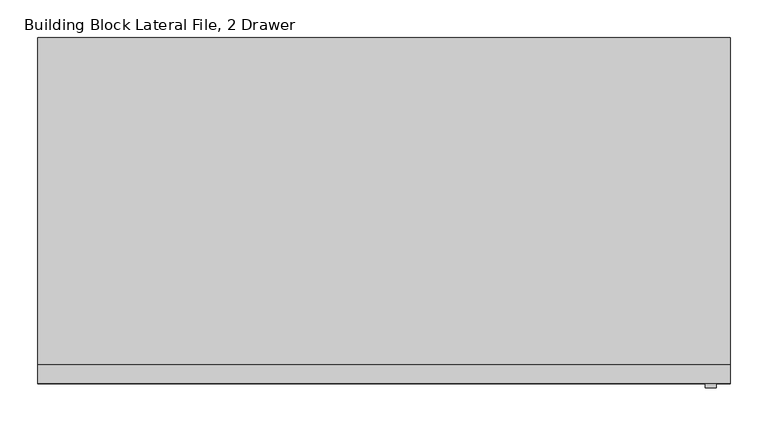
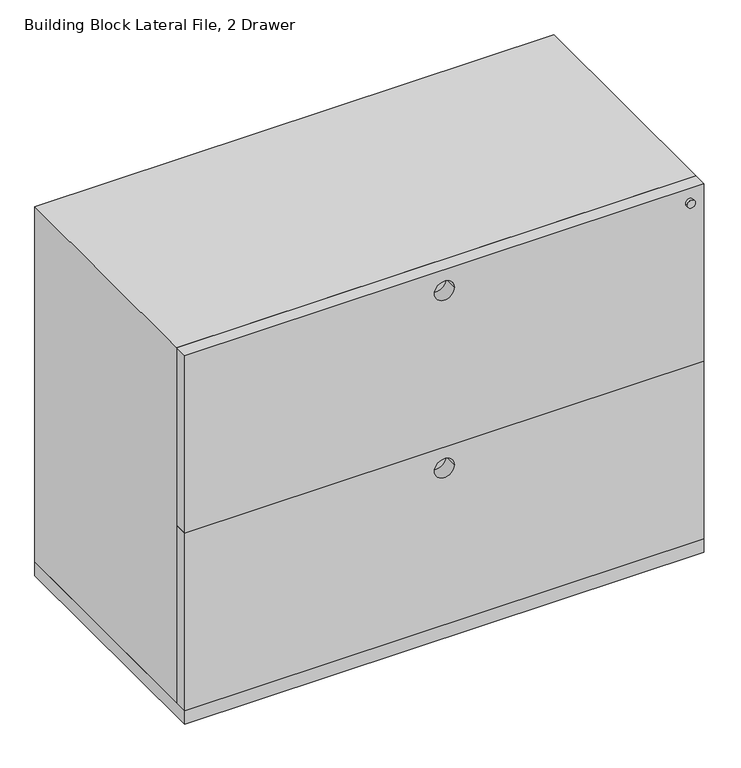
"""IFC4 building model written with IfcOpenShell, lengths in millimetres: furniture geometry, Building Block Lateral File, 2 Drawer."""

from ifc_helpers import new_model, si_unit, point, frame, frame_2d, origin, origin_with_axes, place, context, project, spatial, polyline, circle_curve, trimmed, segment, composite_curve, outline, extrude, source, transform, mapped, element, save


def building_block_lateral_file_2_drawer_e7a555fa(model_context):
    return source(origin(), model_context, "Body", "SweptSolid", [
        extrude(outline(composite_curve([segment(trimmed(circle_curve(frame_2d((673.1, 889.0)), 7.2251572), [point((673.1, 881.7748428))], [point((673.1, 896.2251572))], False, "CARTESIAN"), True, "CONTINUOUS"), segment(trimmed(circle_curve(frame_2d((673.1, 889.0)), 7.2251572), [point((673.1, 896.2251572))], [point((673.1, 881.7748428))], False, "CARTESIAN"), True, "CONTINUOUS")], self_intersect=False)), frame((0.0, -462.6249336, 0.0), z_axis=(0.0, 1.0, 0.0), x_axis=(0.0, 0.0, 1.0)), (0.0, 0.0, 1.0), 5.4249336),
        extrude(outline(polyline([(914.4, -431.8), (0.0, -431.8), (0.0, 0.0), (914.4, 0.0), (914.4, -431.8)])), frame((0.0, 0.0, 38.1), z_axis=(0.0, 0.0, 1.0), x_axis=(1.0, 0.0, 0.0)), (0.0, 0.0, 1.0), 660.4),
        extrude(outline(polyline([(368.3, 914.4), (368.3, 0.0), (38.1, 0.0), (38.1, 914.4), (368.3, 914.4)]), holes=[composite_curve([segment(trimmed(circle_curve(frame_2d((329.8842224, 457.2)), 17.5139353), [point((329.8842224, 439.6860647))], [point((329.8842224, 474.7139353))], True, "CARTESIAN"), True, "CONTINUOUS"), segment(trimmed(circle_curve(frame_2d((329.8842224, 457.2)), 17.5139353), [point((329.8842224, 474.7139353))], [point((329.8842224, 439.6860647))], True, "CARTESIAN"), True, "CONTINUOUS")], self_intersect=False)]), frame((0.0, -457.2, 0.0), z_axis=(0.0, 1.0, 0.0), x_axis=(0.0, 0.0, 1.0)), (0.0, 0.0, 1.0), 25.4),
        extrude(outline(polyline([(698.5, 914.4), (698.5, 0.0), (368.3, 0.0), (368.3, 914.4), (698.5, 914.4)]), holes=[composite_curve([segment(trimmed(circle_curve(frame_2d((660.0842224, 457.2)), 17.5139353), [point((660.0842224, 439.6860647))], [point((660.0842224, 474.7139353))], True, "CARTESIAN"), True, "CONTINUOUS"), segment(trimmed(circle_curve(frame_2d((660.0842224, 457.2)), 17.5139353), [point((660.0842224, 474.7139353))], [point((660.0842224, 439.6860647))], True, "CARTESIAN"), True, "CONTINUOUS")], self_intersect=False)]), frame((0.0, -457.2, 0.0), z_axis=(0.0, 1.0, 0.0), x_axis=(0.0, 0.0, 1.0)), (0.0, 0.0, 1.0), 25.4),
        extrude(outline(polyline([(914.4, 0.0), (914.4, -457.2), (0.0, -457.2), (0.0, 0.0), (914.4, 0.0)])), frame((0.0, 0.0, 12.7), z_axis=(0.0, 0.0, 1.0), x_axis=(1.0, 0.0, 0.0)), (0.0, 0.0, 1.0), 25.4),
        extrude(outline(composite_curve([segment(trimmed(circle_curve(frame_2d((28.5450835, 863.6)), 0.9921875), [point((28.5450835, 864.5921875))], [point((28.5450835, 862.6078125))], False, "CARTESIAN"), True, "CONTINUOUS"), segment(trimmed(circle_curve(frame_2d((28.5450835, 863.6)), 0.9921875), [point((28.5450835, 862.6078125))], [point((28.5450835, 864.5921875))], False, "CARTESIAN"), True, "CONTINUOUS")], self_intersect=False)), frame((0.0, -432.9785671, 0.0), z_axis=(0.0, 1.0, 0.0), x_axis=(0.0, 0.0, 1.0)), (0.0, 0.0, 1.0), 53.0422756),
        extrude(outline(polyline([(12.7, 832.6896756), (11.7078125, 854.6518893), (11.7078125, 874.0068204), (12.7, 874.0068204), (12.7, 832.6896756)])), frame((0.0, -434.6443623, 0.0), z_axis=(0.0, 1.0, 0.0), x_axis=(0.0, 0.0, 1.0)), (0.0, 0.0, 1.0), 0.9921875),
        extrude(outline(composite_curve([segment(trimmed(circle_curve(frame_2d((28.5450835, 50.8)), 0.9921875), [point((28.5450835, 49.8078125))], [point((28.5450835, 51.7921875))], False, "CARTESIAN"), True, "CONTINUOUS"), segment(trimmed(circle_curve(frame_2d((28.5450835, 50.8)), 0.9921875), [point((28.5450835, 51.7921875))], [point((28.5450835, 49.8078125))], False, "CARTESIAN"), True, "CONTINUOUS")], self_intersect=False)), frame((0.0, -432.9785671, 0.0), z_axis=(0.0, 1.0, 0.0), x_axis=(0.0, 0.0, 1.0)), (0.0, 0.0, 1.0), 53.0422756),
        extrude(outline(polyline([(12.7, 81.7103244), (12.7, 40.3931796), (11.7078125, 40.3931796), (11.7078125, 59.7481107), (12.7, 81.7103244)])), frame((0.0, -434.6443623, 0.0), z_axis=(0.0, 1.0, 0.0), x_axis=(0.0, 0.0, 1.0)), (0.0, 0.0, 1.0), 0.9921875),
        extrude(outline(composite_curve([segment(trimmed(circle_curve(frame_2d((28.5450835, 863.6)), 0.9921875), [point((28.5450835, 864.5921875))], [point((28.5450835, 862.6078125))], False, "CARTESIAN"), True, "CONTINUOUS"), segment(trimmed(circle_curve(frame_2d((28.5450835, 863.6)), 0.9921875), [point((28.5450835, 862.6078125))], [point((28.5450835, 864.5921875))], False, "CARTESIAN"), True, "CONTINUOUS")], self_intersect=False)), frame((0.0, -77.2637085, 0.0), z_axis=(0.0, 1.0, 0.0), x_axis=(0.0, 0.0, 1.0)), (0.0, 0.0, 1.0), 53.0422756),
        extrude(outline(polyline([(12.7, 832.6896756), (11.7078125, 854.6518893), (11.7078125, 874.0068204), (12.7, 874.0068204), (12.7, 832.6896756)])), frame((0.0, -23.5478252, 0.0), z_axis=(0.0, 1.0, 0.0), x_axis=(0.0, 0.0, 1.0)), (0.0, 0.0, 1.0), 0.9921875),
        extrude(outline(composite_curve([segment(trimmed(circle_curve(frame_2d((28.5450835, 50.8)), 0.9921875), [point((28.5450835, 49.8078125))], [point((28.5450835, 51.7921875))], False, "CARTESIAN"), True, "CONTINUOUS"), segment(trimmed(circle_curve(frame_2d((28.5450835, 50.8)), 0.9921875), [point((28.5450835, 51.7921875))], [point((28.5450835, 49.8078125))], False, "CARTESIAN"), True, "CONTINUOUS")], self_intersect=False)), frame((0.0, -77.2637085, 0.0), z_axis=(0.0, 1.0, 0.0), x_axis=(0.0, 0.0, 1.0)), (0.0, 0.0, 1.0), 53.0422756),
        extrude(outline(polyline([(12.7, 81.7103244), (12.7, 40.3931796), (11.7078125, 40.3931796), (11.7078125, 59.7481107), (12.7, 81.7103244)])), frame((0.0, -23.5478252, 0.0), z_axis=(0.0, 1.0, 0.0), x_axis=(0.0, 0.0, 1.0)), (0.0, 0.0, 1.0), 0.9921875),
        extrude(outline(composite_curve([segment(trimmed(circle_curve(frame_2d((850.9, -406.4)), 15.9254799), [point((866.8254799, -406.4))], [point((834.9745201, -406.4))], False, "CARTESIAN"), True, "CONTINUOUS"), segment(trimmed(circle_curve(frame_2d((850.9, -406.4)), 15.9254799), [point((834.9745201, -406.4))], [point((866.8254799, -406.4))], False, "CARTESIAN"), True, "CONTINUOUS")], self_intersect=False)), origin_with_axes(), (0.0, 0.0, 1.0), 7.9375),
        extrude(outline(composite_curve([segment(trimmed(circle_curve(frame_2d((850.9, -406.4)), 10.16), [point((861.06, -406.4))], [point((840.74, -406.4))], False, "CARTESIAN"), True, "CONTINUOUS"), segment(trimmed(circle_curve(frame_2d((850.9, -406.4)), 10.16), [point((840.74, -406.4))], [point((861.06, -406.4))], False, "CARTESIAN"), True, "CONTINUOUS")], self_intersect=False)), frame((0.0, 0.0, 7.9375), z_axis=(0.0, 0.0, 1.0), x_axis=(1.0, 0.0, 0.0)), (0.0, 0.0, 1.0), 4.7625),
        extrude(outline(composite_curve([segment(trimmed(circle_curve(frame_2d((850.9, -50.8)), 15.9254799), [point((866.8254799, -50.8))], [point((834.9745201, -50.8))], False, "CARTESIAN"), True, "CONTINUOUS"), segment(trimmed(circle_curve(frame_2d((850.9, -50.8)), 15.9254799), [point((834.9745201, -50.8))], [point((866.8254799, -50.8))], False, "CARTESIAN"), True, "CONTINUOUS")], self_intersect=False)), origin_with_axes(), (0.0, 0.0, 1.0), 7.9375),
        extrude(outline(composite_curve([segment(trimmed(circle_curve(frame_2d((850.9, -50.8)), 10.16), [point((861.06, -50.8))], [point((840.74, -50.8))], False, "CARTESIAN"), True, "CONTINUOUS"), segment(trimmed(circle_curve(frame_2d((850.9, -50.8)), 10.16), [point((840.74, -50.8))], [point((861.06, -50.8))], False, "CARTESIAN"), True, "CONTINUOUS")], self_intersect=False)), frame((0.0, 0.0, 7.9375), z_axis=(0.0, 0.0, 1.0), x_axis=(1.0, 0.0, 0.0)), (0.0, 0.0, 1.0), 4.7625),
        extrude(outline(composite_curve([segment(trimmed(circle_curve(frame_2d((63.5, -406.4)), 15.9254799), [point((47.5745201, -406.4))], [point((79.4254799, -406.4))], False, "CARTESIAN"), True, "CONTINUOUS"), segment(trimmed(circle_curve(frame_2d((63.5, -406.4)), 15.9254799), [point((79.4254799, -406.4))], [point((47.5745201, -406.4))], False, "CARTESIAN"), True, "CONTINUOUS")], self_intersect=False)), origin_with_axes(), (0.0, 0.0, 1.0), 7.9375),
        extrude(outline(composite_curve([segment(trimmed(circle_curve(frame_2d((63.5, -406.4)), 10.16), [point((53.34, -406.4))], [point((73.66, -406.4))], False, "CARTESIAN"), True, "CONTINUOUS"), segment(trimmed(circle_curve(frame_2d((63.5, -406.4)), 10.16), [point((73.66, -406.4))], [point((53.34, -406.4))], False, "CARTESIAN"), True, "CONTINUOUS")], self_intersect=False)), frame((0.0, 0.0, 7.9375), z_axis=(0.0, 0.0, 1.0), x_axis=(1.0, 0.0, 0.0)), (0.0, 0.0, 1.0), 4.7625),
        extrude(outline(composite_curve([segment(trimmed(circle_curve(frame_2d((63.5, -50.8)), 15.9254799), [point((47.5745201, -50.8))], [point((79.4254799, -50.8))], False, "CARTESIAN"), True, "CONTINUOUS"), segment(trimmed(circle_curve(frame_2d((63.5, -50.8)), 15.9254799), [point((79.4254799, -50.8))], [point((47.5745201, -50.8))], False, "CARTESIAN"), True, "CONTINUOUS")], self_intersect=False)), origin_with_axes(), (0.0, 0.0, 1.0), 7.9375),
        extrude(outline(composite_curve([segment(trimmed(circle_curve(frame_2d((63.5, -50.8)), 10.16), [point((53.34, -50.8))], [point((73.66, -50.8))], False, "CARTESIAN"), True, "CONTINUOUS"), segment(trimmed(circle_curve(frame_2d((63.5, -50.8)), 10.16), [point((73.66, -50.8))], [point((53.34, -50.8))], False, "CARTESIAN"), True, "CONTINUOUS")], self_intersect=False)), frame((0.0, 0.0, 7.9375), z_axis=(0.0, 0.0, 1.0), x_axis=(1.0, 0.0, 0.0)), (0.0, 0.0, 1.0), 4.7625),
    ])


if __name__ == "__main__":
    model = new_model("IFC4")
    model_context = context("Model", 3, world=origin())
    ifc_project = project(units=[si_unit("LENGTHUNIT", "METRE", prefix="MILLI")], contexts=[model_context])
    site = spatial("IfcSite", under=ifc_project)
    building = spatial("IfcBuilding", under=site)
    placement = place(None, origin())
    building_block_lateral_file_2_drawer_shape = building_block_lateral_file_2_drawer_e7a555fa(model_context)
    element("IfcFurniture", 1, ObjectType="Building Block Lateral File, 2 Drawer", at=placement, inside=building, context=model_context, shape_type="MappedRepresentation", body=[
        mapped(building_block_lateral_file_2_drawer_shape, transform((0.0, 0.0, 0.0), x_axis=(1.0, 0.0, 0.0), y_axis=(0.0, 1.0, 0.0), z_axis=(0.0, 0.0, 1.0))),
    ])
    save(model, "model.ifc")
